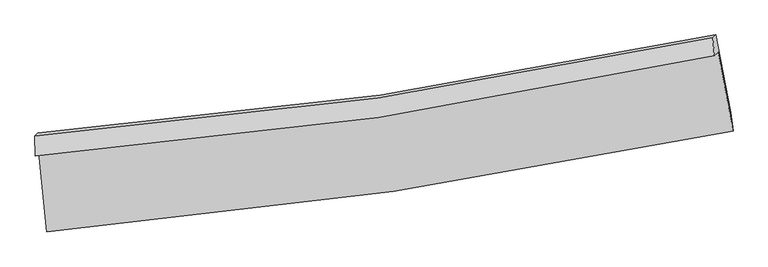
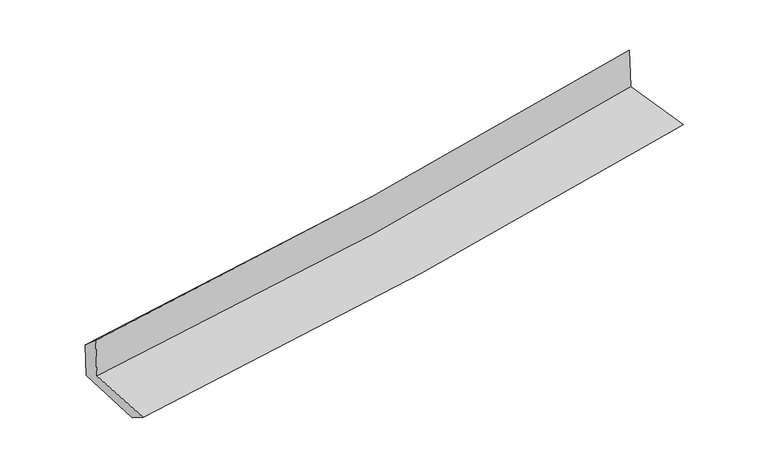
"""IFC4 building model written with IfcOpenShell, lengths in millimetres: proxy geometry."""

from ifc_helpers import new_model, si_unit, frame, origin, place, context, project, spatial, source, transform, mapped, element, save
from ifc_brep_helpers import plane_surface, spline_curve, spline_surface, advanced_brep


def generic_models_c6fe0328(model_context):
    return source(origin(), model_context, "Body", "AdvancedBrep", [
        advanced_brep(
        [(-2904.340009, -1893.1855172, 1655.8801595), (-2837.1697841, -2562.8110941, 1610.0924431), (2963.8336614, -1711.7610373, 2109.8040765), (2836.7518673, -1040.5771088, 2140.9036589), (-2934.6031963, -1923.3940292, 2054.9966746), (2806.0139122, -1071.3020763, 2546.8887371), (-2938.319782, -1751.5536172, 1903.8231837), (2792.1350266, -920.9227712, 2391.2082132), (-2912.750114, -1726.4980308, 1567.1392228), (2817.7860886, -895.7874273, 2053.4525124), (-2844.3549358, -2394.4607061, 1504.6946584), (2945.1407181, -1555.7139135, 1996.0785263)],
        [
            (0, 1),
            (1, 2, spline_curve(3, [(-2837.1697841, -2562.8110941, 1610.0924431), (-1856.675893154, -2477.483397529, 1701.766108564), (-880.112549789, -2363.296421702, 1789.473538478), (1053.461337788, -2078.92342335, 1955.949302456), (2010.565809318, -1909.427047045, 2034.812416793), (2963.8336614, -1711.7610373, 2109.8040765)], [4, 2, 4], [0.0, 9.666581861160752, 19.2169648628893])),
            (2, 3),
            (3, 0, spline_curve(3, [(2836.7518673, -1040.5771088, 2140.9036589), (1894.608322668, -1247.817623267, 2071.150741454), (948.032072965, -1422.258495905, 1996.132090271), (-965.55669834, -1707.264296098, 1834.586505887), (-1932.677740529, -1817.026226494, 1747.930657324), (-2904.340009, -1893.1855172, 1655.8801595)], [4, 2, 4], [0.0, 9.550383001728546, 19.2169648628893])),
            (4, 0),
            (3, 5),
            (5, 4, spline_curve(3, [(2806.0139122, -1071.3020763, 2546.8887371), (1863.255583537, -1279.129831473, 2485.115722063), (916.409169847, -1453.823580549, 2413.545668818), (-997.029782314, -1738.665415006, 2249.821498324), (-1963.72240481, -1848.002316751, 2157.427530427), (-2934.6031963, -1923.3940292, 2054.9966746)], [4, 2, 4], [0.0, 9.502461977496333, 19.120539762587306])),
            (6, 4),
            (5, 7),
            (7, 6, spline_curve(3, [(2792.1350266, -920.9227712, 2391.2082132), (1852.605891024, -1123.263137389, 2305.704851404), (908.220485024, -1293.429738768, 2222.568937464), (-1001.812227245, -1571.094362481, 2060.049301515), (-1967.578423782, -1677.804709541, 1980.723538639), (-2938.319782, -1751.5536172, 1903.8231837)], [4, 2, 4], [0.0, 9.491160463462093, 19.097799229767404])),
            (8, 6),
            (7, 9),
            (9, 8, spline_curve(3, [(2817.7860886, -895.7874273, 2053.4525124), (1877.753477823, -1098.621146481, 1974.578571286), (933.108110613, -1269.042482223, 1894.865645973), (-976.957694536, -1546.739533505, 1732.781755822), (-1942.491061694, -1653.221731944, 1650.390251759), (-2912.750114, -1726.4980308, 1567.1392228)], [4, 2, 4], [0.0, 9.48101591815466, 19.077386711160806])),
            (10, 8),
            (9, 11),
            (11, 10, spline_curve(3, [(2945.1407181, -1555.7139135, 1996.0785263), (1993.946321438, -1750.470897188, 1917.224373953), (1038.832266693, -1917.491055151, 1837.103948954), (-890.903657353, -2197.752369258, 1673.340327038), (-1865.621487271, -2310.314475999, 1589.666129499), (-2844.3549358, -2394.4607061, 1504.6946584)], [4, 2, 4], [0.0, 9.528811952124729, 19.173560310190503])),
            (1, 10),
            (11, 2),
        ],
        [
            spline_surface(3, 3, [[(-2904.340009, -1893.1855172, 1655.8801595), (-1932.677740531, -1817.026226442, 1747.930657165), (-965.556698218, -1707.264296143, 1834.586505745), (948.032072843, -1422.258495861, 1996.132090411), (1894.608322638, -1247.817623344, 2071.150741582), (2836.7518673, -1040.5771088, 2140.9036589)], [(-2881.949934026, -2116.394042858, 1640.617587396), (-1907.343791426, -2037.17861688, 1732.542474278), (-937.075315383, -1925.941671325, 1819.548850003), (983.175161129, -1641.146805011, 1982.737827742), (1933.26081821, -1468.354097919, 2059.037966641), (2879.112465322, -1264.305084966, 2130.537131416)], [(-2859.559859074, -2339.602568442, 1625.355015204), (-1882.009842343, -2257.331007244, 1717.154291302), (-908.593932542, -2144.619046533, 1804.511194266), (1018.318249421, -1860.035114187, 1969.343565079), (1971.913313814, -1688.890572497, 2046.925191753), (2921.473063378, -1488.033061134, 2120.170603984)], [(-2837.1697841, -2562.8110941, 1610.0924431), (-1856.675893238, -2477.483397682, 1701.766108415), (-880.112549708, -2363.296421715, 1789.473538524), (1053.461337707, -2078.923423337, 1955.94930241), (2010.565809386, -1909.427047072, 2034.812416812), (2963.8336614, -1711.7610373, 2109.8040765)]], [4, 4], [4, 2, 4], [0.0, 2.1804520649683954], [0.0, 9.666581861160752, 19.2169648628893]),
            spline_surface(3, 3, [[(-2934.6031963, -1923.3940292, 2054.9966746), (-1963.722404847, -1848.002316698, 2157.427530554), (-997.029782276, -1738.665414943, 2249.821498201), (916.409169809, -1453.823580611, 2413.54566894), (1863.255583417, -1279.129831425, 2485.115722133), (2806.0139122, -1071.3020763, 2546.8887371)], [(-2924.515467201, -1913.324525173, 1921.957836222), (-1953.37418341, -1837.676953253, 2020.928572746), (-986.538754262, -1728.198375339, 2111.409834071), (926.950137482, -1443.30188569, 2274.407809453), (1873.706496493, -1268.692428726, 2347.1273953), (2816.259897235, -1061.060420461, 2411.560377717)], [(-2914.427738099, -1903.255021227, 1788.918997878), (-1943.025961968, -1827.351589887, 1884.429614973), (-976.047726232, -1717.731335747, 1972.998169875), (937.49110517, -1432.780190782, 2135.269949898), (1884.157409563, -1258.255026043, 2209.139068415), (2826.505882265, -1050.818764639, 2276.232018283)], [(-2904.340009, -1893.1855172, 1655.8801595), (-1932.677740531, -1817.026226442, 1747.930657165), (-965.556698218, -1707.264296143, 1834.586505745), (948.032072843, -1422.258495861, 1996.132090411), (1894.608322638, -1247.817623344, 2071.150741582), (2836.7518673, -1040.5771088, 2140.9036589)]], [4, 4], [4, 2, 4], [0.0, 1.3736530706972647], [0.0, 9.618077785090973, 19.120539762587306]),
            spline_surface(3, 3, [[(-2938.319782, -1751.5536172, 1903.8231837), (-1967.578423919, -1677.80470946, 1980.723538736), (-1001.812227197, -1571.094362368, 2060.049301422), (908.220484977, -1293.42973888, 2222.568937556), (1852.605891066, -1123.263137305, 2305.704851343), (2792.1350266, -920.9227712, 2391.2082132)], [(-2937.080920086, -1808.833754542, 1954.214347329), (-1966.293084214, -1734.537245214, 2039.624869338), (-1000.2180789, -1626.9513799, 2123.306700346), (910.950046577, -1346.894352797, 2286.227848015), (1856.155788497, -1175.218702006, 2365.508474918), (2796.76132178, -971.049206228, 2443.101721145)], [(-2935.842058214, -1866.113891858, 2004.605510971), (-1965.007744552, -1791.269780944, 2098.526199953), (-998.623930572, -1682.808397412, 2186.564099277), (913.679608209, -1400.358966694, 2349.886758481), (1859.705685987, -1227.174266723, 2425.312098558), (2801.38761702, -1021.175641272, 2494.995229155)], [(-2934.6031963, -1923.3940292, 2054.9966746), (-1963.722404847, -1848.002316698, 2157.427530554), (-997.029782276, -1738.665414943, 2249.821498201), (916.409169809, -1453.823580611, 2413.54566894), (1863.255583417, -1279.129831425, 2485.115722133), (2806.0139122, -1071.3020763, 2546.8887371)]], [4, 4], [4, 2, 4], [0.0, 0.8246950156623092], [0.0, 9.606638766305311, 19.097799229767404]),
            spline_surface(3, 3, [[(-2912.750114, -1726.4980308, 1567.1392228), (-1942.491061698, -1653.221732017, 1650.390251617), (-976.957694553, -1546.739533444, 1732.781755936), (933.108110631, -1269.042482284, 1894.86564586), (1877.753477669, -1098.621146361, 1974.578571423), (2817.7860886, -895.7874273, 2053.4525124)], [(-2921.273336667, -1734.849892927, 1679.36720976), (-1950.853515772, -1661.416057825, 1760.501347317), (-985.242538757, -1554.857809738, 1841.870937757), (924.812235424, -1277.171567803, 2004.100076418), (1869.370948821, -1106.835143338, 2084.953998077), (2809.235734619, -904.165875263, 2166.037746014)], [(-2929.796559333, -1743.201755073, 1791.59519674), (-1959.215969845, -1669.610383652, 1870.612443037), (-993.527382994, -1562.976086073, 1950.9601196), (916.516360183, -1285.300653362, 2113.334506998), (1860.988419915, -1115.049140327, 2195.329424689), (2800.685380581, -912.544323237, 2278.622979586)], [(-2938.319782, -1751.5536172, 1903.8231837), (-1967.578423919, -1677.80470946, 1980.723538736), (-1001.812227197, -1571.094362368, 2060.049301422), (908.220484977, -1293.42973888, 2222.568937556), (1852.605891066, -1123.263137305, 2305.704851343), (2792.1350266, -920.9227712, 2391.2082132)]], [4, 4], [4, 2, 4], [0.0, 1.0804763095688936], [0.0, 9.596370793006146, 19.077386711160806]),
            spline_surface(3, 3, [[(-2844.3549358, -2394.4607061, 1504.6946584), (-1865.621487119, -2310.314475853, 1589.666129449), (-890.903657321, -2197.752369377, 1673.340327052), (1038.832266661, -1917.491055033, 1837.10394894), (1993.946321454, -1750.470897306, 1917.224373943), (2945.1407181, -1555.7139135, 1996.0785263)], [(-2867.153328533, -2171.806481024, 1525.509513213), (-1891.244678645, -2091.283561266, 1609.907503518), (-919.588336388, -1980.748090738, 1693.154136685), (1003.590881328, -1701.34153079, 1856.357847919), (1955.215373513, -1533.187647012, 1936.342439762), (2902.68917492, -1335.738418121, 2015.203188325)], [(-2889.951721267, -1949.152255876, 1546.324367987), (-1916.867870172, -1872.252646605, 1630.148877548), (-948.273015486, -1763.743812082, 1712.967946303), (968.349495964, -1485.192006528, 1875.611746882), (1916.48442561, -1315.904396655, 1955.460505604), (2860.23763178, -1115.762922679, 2034.327850375)], [(-2912.750114, -1726.4980308, 1567.1392228), (-1942.491061698, -1653.221732017, 1650.390251617), (-976.957694553, -1546.739533444, 1732.781755936), (933.108110631, -1269.042482284, 1894.86564586), (1877.753477669, -1098.621146361, 1974.578571423), (2817.7860886, -895.7874273, 2053.4525124)]], [4, 4], [4, 2, 4], [0.0, 2.163310517796407], [0.0, 9.644748358065774, 19.173560310190503]),
            spline_surface(3, 3, [[(-2837.1697841, -2562.8110941, 1610.0924431), (-1856.675893238, -2477.483397682, 1701.766108415), (-880.112549708, -2363.296421715, 1789.473538524), (1053.461337707, -2078.923423337, 1955.94930241), (2010.565809386, -1909.427047072, 2034.812416812), (2963.8336614, -1711.7610373, 2109.8040765)], [(-2839.564834687, -2506.694298075, 1574.95984818), (-1859.657757885, -2421.760423714, 1664.399448739), (-883.709585583, -2308.11507095, 1750.762468017), (1048.584980688, -2025.112633916, 1916.33418457), (2005.025980098, -1856.441663811, 1995.616402539), (2957.602680323, -1659.745329361, 2071.895559783)], [(-2841.959885213, -2450.577502125, 1539.82725332), (-1862.639622472, -2366.037449821, 1627.032789124), (-887.306621446, -2252.933720142, 1712.051397559), (1043.70862368, -1971.301844454, 1876.71906678), (1999.486150742, -1803.456280567, 1956.420388216), (2951.371699177, -1607.729621439, 2033.987043017)], [(-2844.3549358, -2394.4607061, 1504.6946584), (-1865.621487119, -2310.314475853, 1589.666129449), (-890.903657321, -2197.752369377, 1673.340327052), (1038.832266661, -1917.491055033, 1837.10394894), (1993.946321454, -1750.470897306, 1917.224373943), (2945.1407181, -1555.7139135, 1996.0785263)]], [4, 4], [4, 2, 4], [0.0, 0.6618624024534628], [0.0, 9.704653267333915, 19.292650031154416]),
            plane_surface(frame((2860.276879, -1199.3440557, 2206.3892874), z_axis=(0.9794778184455349, 0.1813818818594709, 0.08788524396218547), x_axis=(-0.07551989809047115, -0.07400156037060285, 0.9943945464729385))),
            plane_surface(frame((-2895.2563036, -2041.9838324, 1716.1043903), z_axis=(-0.9921714296707439, -0.09389468465446227, -0.08233858353622246), x_axis=(-0.09957902610598858, 0.9927116202069124, 0.06787972205268616))),
        ],
        [
            (0, [[1, 2, 3, 4]]),
            (1, [[5, -4, 6, 7]]),
            (2, [[8, -7, 9, 10]]),
            (3, [[11, -10, 12, 13]]),
            (4, [[14, -13, 15, 16]]),
            (5, [[17, -16, 18, -2]]),
            (6, [[-12, -9, -6, -3, -18, -15]]),
            (7, [[-1, -5, -8, -11, -14, -17]]),
        ],
    ),
    ])


if __name__ == "__main__":
    model = new_model("IFC4")
    model_context = context("Model", 3, world=origin())
    ifc_project = project(units=[si_unit("LENGTHUNIT", "METRE", prefix="MILLI")], contexts=[model_context])
    site = spatial("IfcSite", under=ifc_project)
    building = spatial("IfcBuilding", under=site)
    placement = place(None, origin())
    generic_models_shape = generic_models_c6fe0328(model_context)
    element("IfcBuildingElementProxy", 1, Name="Generic Models", at=placement, inside=building, context=model_context, shape_type="MappedRepresentation", body=[
        mapped(generic_models_shape, transform((0.0, 0.0, 0.0), x_axis=(1.0, 0.0, 0.0), y_axis=(0.0, 1.0, 0.0), z_axis=(0.0, 0.0, 1.0))),
    ])
    save(model, "model.ifc")
